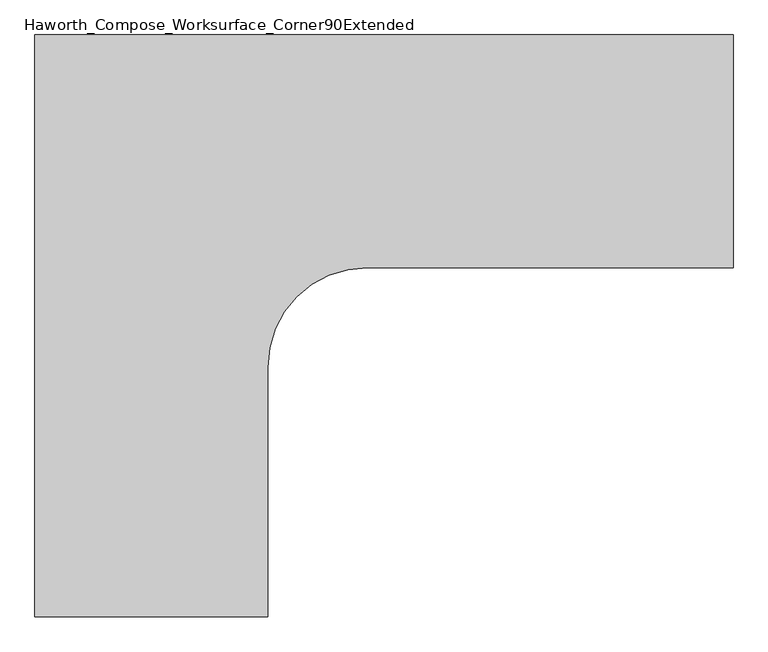
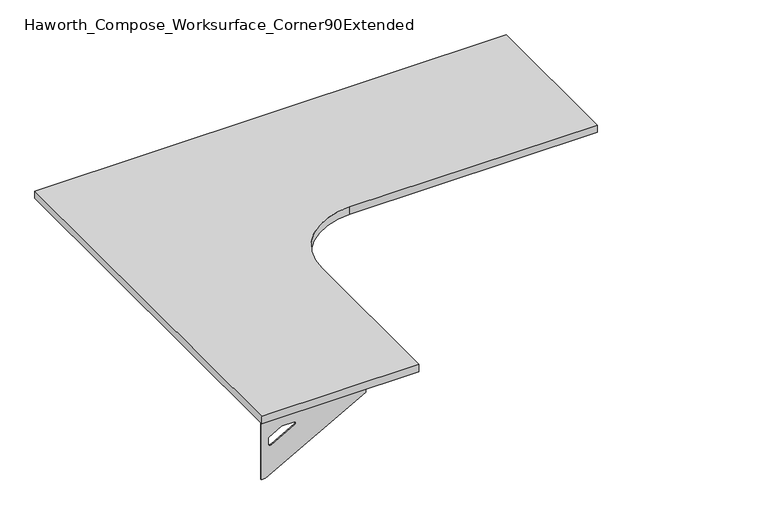
"""IFC4 building model written with IfcOpenShell, lengths in millimetres: furniture geometry, Haworth_Compose_Worksurface_Corner90Extended."""

import ifcopenshell
import ifcopenshell.guid

model = None  # the IFC model being written
_history = None  # IfcOwnerHistory: only IFC2X3 demands one
_inside = {}  # id of a spatial element -> (the spatial element, [elements in it])
_under = {}  # id of a project, library or spatial element -> (it, [spatial elements below it])
_declared = {}  # id of a project -> (the project, [libraries it declares])
_typed = {}  # id of a type object -> (the type object, [elements of that type])
_made_of = {}  # id of a material, layer set ... -> (it, [elements and type objects made of it])


def new_model(schema):
    """Start an empty IFC model of exactly this schema.

    Asked for "IFC4X3", IfcOpenShell would pick the latest addendum, in which some entities
    have other attributes; the version numbers below select the first issue.
    IFC2X3 requires an IfcOwnerHistory on every rooted entity: one is made here for all.
    """
    global model, _history
    if schema == "IFC4X3":
        model = ifcopenshell.file(schema_version=(4, 3, 0, 0))
    else:
        model = ifcopenshell.file(schema=schema)
    _inside.clear()
    _under.clear()
    _declared.clear()
    _typed.clear()
    _made_of.clear()
    _history = None
    if model.schema == "IFC2X3":
        org = make("IfcOrganization", Name="unknown")
        user = make(
            "IfcPersonAndOrganization",
            ThePerson=make("IfcPerson", FamilyName="unknown"),
            TheOrganization=org,
        )
        app = make(
            "IfcApplication",
            ApplicationDeveloper=org,
            Version="unknown",
            ApplicationFullName="unknown",
            ApplicationIdentifier="unknown",
        )
        _history = make(
            "IfcOwnerHistory",
            OwningUser=user,
            OwningApplication=app,
            ChangeAction="ADDED",
            CreationDate=0,
        )
    return model


def make(cls, **values):
    """One entity of the class cls with the attributes given. An attribute that is None is left unset."""
    return model.create_entity(
        cls, **{name: value for name, value in values.items() if value is not None}
    )


def rooted(cls, **values):
    """An entity with a GlobalId (a new one), such as an element, a storey or a relation."""
    return make(cls, GlobalId=ifcopenshell.guid.new(), OwnerHistory=_history, **values)


def si_unit(unit_type, name, prefix=None):
    """IfcSIUnit, for example si_unit("LENGTHUNIT", "METRE", prefix="MILLI")."""
    return make("IfcSIUnit", UnitType=unit_type, Prefix=prefix, Name=name)


def assignment(units):
    """IfcUnitAssignment: the units of a project."""
    return None if units is None else make("IfcUnitAssignment", Units=units)


def point(xyz):
    """IfcCartesianPoint."""
    return None if xyz is None else make("IfcCartesianPoint", Coordinates=xyz)


def direction(xyz):
    """IfcDirection."""
    return None if xyz is None else make("IfcDirection", DirectionRatios=xyz)


def frame(location, z_axis=None, x_axis=None):
    """IfcAxis2Placement3D, a coordinate frame: its origin and axes. An axis left out is left unset."""
    return make(
        "IfcAxis2Placement3D",
        Location=point(location),
        Axis=direction(z_axis),
        RefDirection=direction(x_axis),
    )


def frame_2d(location, x_axis=None):
    """IfcAxis2Placement2D, a coordinate frame in the plane: its origin and x axis."""
    return make(
        "IfcAxis2Placement2D", Location=point(location), RefDirection=direction(x_axis)
    )


def origin():
    """The frame at (0, 0, 0) with its axes left unset."""
    return frame((0.0, 0.0, 0.0))


def place(relative_to, where):
    """IfcLocalPlacement: puts the frame where relative to a parent placement (None: the world)."""
    return make(
        "IfcLocalPlacement", PlacementRelTo=relative_to, RelativePlacement=where
    )


def context(
    kind, dimensions, precision=None, world=None, true_north=None, identifier=None
):
    """IfcGeometricRepresentationContext, for example the 3D "Model" context."""
    return make(
        "IfcGeometricRepresentationContext",
        ContextIdentifier=identifier,
        ContextType=kind,
        CoordinateSpaceDimension=dimensions,
        Precision=precision,
        WorldCoordinateSystem=world,
        TrueNorth=true_north,
    )


def project(units=None, contexts=None):
    """IfcProject with its units and contexts."""
    return rooted(
        "IfcProject",
        Name="project",
        RepresentationContexts=contexts,
        UnitsInContext=assignment(units),
    )


def spatial(cls, under=None, at=None, **own):
    """A site, building, storey or space (cls), placed at a placement, below another one or the project."""
    s = rooted(cls, ObjectPlacement=at, **own)
    if under is not None:
        _under.setdefault(under.id(), (under, []))[1].append(s)
    return s


def polyline(points):
    """IfcPolyline through the points."""
    return make("IfcPolyline", Points=[point(p) for p in points])


def circle_curve(where, radius):
    """IfcCircle in the frame where."""
    return make("IfcCircle", Position=where, Radius=radius)


def trimmed(basis, trim1, trim2, sense, master):
    """IfcTrimmedCurve: the piece of a basis curve between two trims."""
    return make(
        "IfcTrimmedCurve",
        BasisCurve=basis,
        Trim1=trim1,
        Trim2=trim2,
        SenseAgreement=sense,
        MasterRepresentation=master,
    )


def segment(curve, same_sense, transition):
    """IfcCompositeCurveSegment."""
    return make(
        "IfcCompositeCurveSegment",
        Transition=transition,
        SameSense=same_sense,
        ParentCurve=curve,
    )


def composite_curve(segments, self_intersect=None):
    """IfcCompositeCurve: segments joined end to end."""
    return make("IfcCompositeCurve", Segments=segments, SelfIntersect=self_intersect)


def outline(outer, holes=None, kind="AREA"):
    """IfcArbitraryClosedProfileDef: a profile drawn as a closed curve; with holes, ...WithVoids."""
    if holes is None:
        return make("IfcArbitraryClosedProfileDef", ProfileType=kind, OuterCurve=outer)
    return make(
        "IfcArbitraryProfileDefWithVoids",
        ProfileType=kind,
        OuterCurve=outer,
        InnerCurves=holes,
    )


def extrude(swept, where, along, depth):
    """IfcExtrudedAreaSolid: the profile swept, set in the frame where, extruded along a direction by depth."""
    return make(
        "IfcExtrudedAreaSolid",
        SweptArea=swept,
        Position=where,
        ExtrudedDirection=direction(along),
        Depth=depth,
    )


def shape(context_of_items, identifier, shape_type, items):
    """IfcShapeRepresentation: the items that make up one representation, for example the "Body"."""
    return make(
        "IfcShapeRepresentation",
        ContextOfItems=context_of_items,
        RepresentationIdentifier=identifier,
        RepresentationType=shape_type,
        Items=items,
    )


def source(mapping_origin, context_of_items, identifier, shape_type, items):
    """IfcRepresentationMap: a shape defined once, which mapped items show again and again."""
    return make(
        "IfcRepresentationMap",
        MappingOrigin=mapping_origin,
        MappedRepresentation=shape(context_of_items, identifier, shape_type, items),
    )


def transform(
    local_origin,
    x_axis=None,
    y_axis=None,
    z_axis=None,
    scale=None,
    scale2=None,
    scale3=None,
    uniform=True,
):
    """IfcCartesianTransformationOperator3D, or its non-uniform kind. x_axis, y_axis, z_axis: its Axis1, 2, 3."""
    if uniform:
        return make(
            "IfcCartesianTransformationOperator3D",
            Axis1=direction(x_axis),
            Axis2=direction(y_axis),
            LocalOrigin=point(local_origin),
            Scale=scale,
            Axis3=direction(z_axis),
        )
    return make(
        "IfcCartesianTransformationOperator3DnonUniform",
        Axis1=direction(x_axis),
        Axis2=direction(y_axis),
        LocalOrigin=point(local_origin),
        Scale=scale,
        Axis3=direction(z_axis),
        Scale2=scale2,
        Scale3=scale3,
    )


def mapped(mapping_source, mapping_target):
    """IfcMappedItem: shows the shape of a source again, moved by a transform."""
    return make(
        "IfcMappedItem", MappingSource=mapping_source, MappingTarget=mapping_target
    )


def made_of(thing, what):
    """Note that an element or type object is made of a material, layer set ...; save() writes the relation."""
    if what is not None:
        _made_of.setdefault(what.id(), (what, []))[1].append(thing)
    return thing


def element(
    cls,
    number,
    at=None,
    inside=None,
    cuts=None,
    type_object=None,
    material=None,
    context=None,
    identifier="Body",
    shape_type=None,
    held_by="IfcProductDefinitionShape",
    body=None,
    shapes=None,
    **own,
):
    """One element of the class cls, such as IfcWall. Its Tag is "e" and its number.

    at: its placement. inside: the storey or other place that contains it. cuts: it is an
    opening in that element (IfcRelVoidsElement). A single representation is given by context,
    identifier, shape_type and body (its items); several are given by shapes. held_by: the class
    of the entity that holds the representations. save() writes the other relations.
    """
    e = rooted(cls, Tag="e%d" % number, ObjectPlacement=at, **own)
    if body is not None:
        shapes = [shape(context, identifier, shape_type, body)]
    if shapes is not None:
        e.Representation = make(held_by, Representations=shapes)
    if inside is not None:
        _inside.setdefault(inside.id(), (inside, []))[1].append(e)
    if cuts is not None:
        rooted(
            "IfcRelVoidsElement", RelatingBuildingElement=cuts, RelatedOpeningElement=e
        )
    if type_object is not None:
        _typed.setdefault(type_object.id(), (type_object, []))[1].append(e)
    return made_of(e, material)


def aggregate(whole, parts):
    """IfcRelAggregates: a whole, such as a stair, and the parts it consists of."""
    return rooted("IfcRelAggregates", RelatingObject=whole, RelatedObjects=parts)


def save(model, path):
    """Write the relations noted so far, then the file.

    IfcRelAggregates (storeys below a building ...), IfcRelContainedInSpatialStructure (elements
    in a storey), IfcRelDefinesByType, IfcRelAssociatesMaterial and IfcRelDeclares: one each for
    every whole, place, type object, material and project.
    """
    for whole, parts in _under.values():
        aggregate(whole, parts)
    for where, things in _inside.values():
        rooted(
            "IfcRelContainedInSpatialStructure",
            RelatedElements=things,
            RelatingStructure=where,
        )
    for kind, things in _typed.values():
        rooted("IfcRelDefinesByType", RelatedObjects=things, RelatingType=kind)
    for what, things in _made_of.values():
        rooted("IfcRelAssociatesMaterial", RelatedObjects=things, RelatingMaterial=what)
    for by, libraries in _declared.values():
        rooted("IfcRelDeclares", RelatingContext=by, RelatedDefinitions=libraries)
    model.write(path)


def plane_surface(at):
    """IfcPlane: the flat surface through the origin of the frame at, square to its z axis."""
    return make("IfcPlane", Position=at)


def revolved_surface(curve, axis_point, axis_direction):
    """IfcSurfaceOfRevolution: the curve turned about the line through axis_point along axis_direction."""
    return make(
        "IfcSurfaceOfRevolution",
        SweptCurve=make("IfcArbitraryOpenProfileDef", ProfileType="CURVE", Curve=curve),
        AxisPosition=make("IfcAxis1Placement", Location=point(axis_point), Axis=direction(axis_direction)),
    )


def advanced_brep(points, edges, surfaces, faces):
    """IfcAdvancedBrep: a solid bounded by faces that lie on surfaces and meet in shared edges.

    An edge is (start, end): straight between two places in points (the first is 0);
    or (start, end, curve); or (start, end, curve, False) where it runs against its curve.
    A face is (place in surfaces, loops), or (place, loops, False) where it looks against
    its surface's normal. A loop lists edges by number (the first is 1), with a minus sign
    where the edge is run from its end to its start. The first loop is the outer one.
    """
    corners = [point(p) for p in points]
    vertices = [make("IfcVertexPoint", VertexGeometry=c) for c in corners]
    made = []
    for start, end, *more in edges:
        made.append(
            make(
                "IfcEdgeCurve",
                EdgeStart=vertices[start],
                EdgeEnd=vertices[end],
                EdgeGeometry=more[0] if more else make("IfcPolyline", Points=[corners[start], corners[end]]),
                SameSense=more[1] if len(more) > 1 else True,
            )
        )
    hull = []
    for where, loops, *sense in faces:
        bounds = []
        for j, loop in enumerate(loops):
            ring = [make("IfcOrientedEdge", EdgeElement=made[abs(k) - 1], Orientation=k > 0) for k in loop]
            bounds.append(
                make(
                    "IfcFaceOuterBound" if j == 0 else "IfcFaceBound",
                    Bound=make("IfcEdgeLoop", EdgeList=ring),
                    Orientation=True,
                )
            )
        hull.append(make("IfcAdvancedFace", Bounds=bounds, FaceSurface=surfaces[where], SameSense=sense[0] if sense else True))
    return make("IfcAdvancedBrep", Outer=make("IfcClosedShell", CfsFaces=hull))


def haworth_compose_worksurface_corner90extended_2721c476(model_context):
    return source(origin(), model_context, "Body", "SolidModel", [
        advanced_brep(
        [(1061.24375, 152.4, 475.45625), (1061.24375, 136.525, 475.45625), (1061.24375, -254.0, 691.7192568), (1061.24375, -254.0, 704.05625), (1061.24375, 136.525, 704.05625), (1061.24375, 152.4, 704.05625), (1061.24375, 69.090072, 665.95625), (1061.24375, 25.4355284, 665.95625), (1061.24375, 22.7564235, 656.3705539), (1061.24375, 114.4776173, 605.5776439), (1061.24375, 123.825, 611.1756969), (1061.24375, 123.825, 634.6860246), (1061.24375, 122.0730055, 637.5242776), (1061.24375, 72.1663437, 665.1613425), (1063.625, 152.4, 475.45625), (1063.625, 152.4, 704.05625), (1063.625, 136.525, 704.05625), (1063.625, 136.525, 706.4375), (1063.625, -254.0, 706.4375), (1063.625, -254.0, 691.7192568), (1063.625, 136.525, 475.45625), (1063.625, 69.090072, 665.95625), (1063.625, 72.1663437, 665.1613425), (1063.625, 122.0730055, 637.5242776), (1063.625, 123.825, 634.6860246), (1063.625, 123.825, 611.1756969), (1063.625, 114.4776173, 605.5776439), (1063.625, 22.7564235, 656.3705539), (1063.625, 25.4355284, 665.95625), (1022.35, -254.0, 706.4375), (1022.35, -254.0, 704.05625), (1022.35, 136.525, 704.05625), (1022.35, 136.525, 706.4375)],
        [
            (0, 1),
            (1, 2),
            (2, 3),
            (3, 4),
            (4, 5),
            (5, 0),
            (6, 7),
            (7, 8, circle_curve(frame((1061.24375, 25.4355284, 660.7890106), z_axis=(1.0, 0.0, 0.0), x_axis=(0.0, -1.0, 0.0)), 5.1672394)),
            (8, 9),
            (9, 10, circle_curve(frame((1061.24375, 117.475, 611.1756969), z_axis=(1.0, 0.0, 0.0), x_axis=(0.0, -1.0, 0.0)), 6.35)),
            (10, 11),
            (11, 12, circle_curve(frame((1061.24375, 120.65, 634.6860246), z_axis=(1.0, 0.0, 0.0), x_axis=(0.0, -1.0, 0.0)), 3.175)),
            (12, 13),
            (13, 6, circle_curve(frame((1061.24375, 69.090072, 659.60625), z_axis=(1.0, 0.0, 0.0), x_axis=(0.0, -1.0, 0.0)), 6.35)),
            (14, 15),
            (15, 16),
            (16, 17),
            (17, 18),
            (18, 19),
            (19, 20),
            (20, 14),
            (21, 22, circle_curve(frame((1063.625, 69.090072, 659.60625), z_axis=(-1.0, 0.0, 0.0), x_axis=(0.0, -1.0, 0.0)), 6.35)),
            (22, 23),
            (23, 24, circle_curve(frame((1063.625, 120.65, 634.6860246), z_axis=(-1.0, 0.0, 0.0), x_axis=(0.0, -1.0, 0.0)), 3.175)),
            (24, 25),
            (25, 26, circle_curve(frame((1063.625, 117.475, 611.1756969), z_axis=(-1.0, 0.0, 0.0), x_axis=(0.0, -1.0, 0.0)), 6.35)),
            (26, 27),
            (27, 28, circle_curve(frame((1063.625, 25.4355284, 660.7890106), z_axis=(-1.0, 0.0, 0.0), x_axis=(0.0, -1.0, 0.0)), 5.1672394)),
            (28, 21),
            (4, 16),
            (15, 5),
            (14, 0),
            (20, 1),
            (19, 2),
            (18, 29),
            (29, 30),
            (30, 3),
            (6, 21),
            (28, 7),
            (9, 26),
            (25, 10),
            (24, 11),
            (23, 12),
            (27, 8),
            (31, 4),
            (30, 31),
            (32, 29),
            (17, 32),
            (31, 32),
            (22, 13),
        ],
        [
            plane_surface(frame((1061.24375, 152.4, 475.45625), z_axis=(-1.0, 0.0, 0.0), x_axis=(0.0, 1.0, 0.0))),
            plane_surface(frame((1063.625, 152.4, 475.45625), z_axis=(1.0, 0.0, 0.0), x_axis=(0.0, -1.0, 0.0))),
            plane_surface(frame((1063.625, -254.0, 704.05625), z_axis=(0.0, 0.0, 1.0), x_axis=(-1.0, 0.0, 0.0))),
            plane_surface(frame((1063.625, 152.4, 704.05625), z_axis=(0.0, 1.0, 0.0), x_axis=(-1.0, 0.0, 0.0))),
            plane_surface(frame((1063.625, 152.4, 475.45625), z_axis=(0.0, 0.0, -1.0), x_axis=(-1.0, 0.0, 0.0))),
            plane_surface(frame((1063.625, 136.525, 475.45625), z_axis=(0.0, -0.4844522351345575, -0.8748177135112957), x_axis=(-1.0, 0.0, 0.0))),
            plane_surface(frame((1063.625, -254.0, 691.7192568), z_axis=(0.0, -1.0, 0.0), x_axis=(-1.0, 0.0, 0.0))),
            plane_surface(frame((1063.625, 69.090072, 665.95625), z_axis=(0.0, 0.0, -1.0), x_axis=(-1.0, 0.0, 0.0))),
            revolved_surface(polyline([(1061.24375, 111.125, 611.1756969), (1063.625, 111.125, 611.1756969)]), (1063.625, 117.475, 611.1756969), (-1.0, 0.0, 0.0)),
            plane_surface(frame((1063.625, 123.825, 611.1756969), z_axis=(0.0, -1.0, 0.0), x_axis=(-1.0, 0.0, 0.0))),
            revolved_surface(polyline([(1061.24375, 117.47500000000001, 634.6860246), (1063.625, 117.47500000000001, 634.6860246)]), (1063.625, 120.65, 634.6860246), (-1.0, 0.0, 0.0)),
            revolved_surface(polyline([(1061.24375, 20.268289, 660.7890106), (1063.625, 20.268289, 660.7890106)]), (1063.625, 25.4355284, 660.7890106), (-1.0, 0.0, 0.0)),
            plane_surface(frame((1063.625, 136.525, 704.05625), z_axis=(0.0, 0.0, -1.0), x_axis=(-1.0, 0.0, 0.0))),
            plane_surface(frame((1063.625, 136.525, 706.4375), z_axis=(0.0, 0.0, 1.0), x_axis=(1.0, 0.0, 0.0))),
            plane_surface(frame((1022.35, 136.525, 706.4375), z_axis=(0.0, 1.0, 0.0), x_axis=(0.0, 0.0, -1.0))),
            plane_surface(frame((1022.35, -254.0, 706.4375), z_axis=(-1.0, 0.0, 0.0), x_axis=(0.0, 0.0, -1.0))),
            plane_surface(frame((1063.625, 22.7564235, 656.3705539), z_axis=(0.0, 0.4844522351341526, 0.8748177135115199), x_axis=(-1.0, 0.0, 0.0))),
            plane_surface(frame((1063.625, 122.0730055, 637.5242776), z_axis=(0.0, -0.48445223513456226, -0.874817713511293), x_axis=(-1.0, 0.0, 0.0))),
            revolved_surface(polyline([(1061.24375, 62.740072000000005, 659.60625), (1063.625, 62.740072000000005, 659.60625)]), (1063.625, 69.090072, 659.60625), (-1.0, 0.0, 0.0)),
        ],
        [
            (0, [[1, 2, 3, 4, 5, 6], [7, 8, 9, 10, 11, 12, 13, 14]]),
            (1, [[15, 16, 17, 18, 19, 20, 21], [22, 23, 24, 25, 26, 27, 28, 29]]),
            (2, [[-5, 30, -16, 31]]),
            (3, [[-31, -15, 32, -6]]),
            (4, [[-32, -21, 33, -1]]),
            (5, [[-33, -20, 34, -2]]),
            (6, [[-34, -19, 35, 36, 37, -3]]),
            (7, [[38, -29, 39, -7]]),
            (8, [[40, -26, 41, -10]]),
            (9, [[-41, -25, 42, -11]]),
            (10, [[-42, -24, 43, -12]]),
            (11, [[-39, -28, 44, -8]]),
            (12, [[45, -4, -37, 46]]),
            (13, [[47, -35, -18, 48]]),
            (14, [[-17, -30, -45, 49, -48]]),
            (15, [[-36, -47, -49, -46]]),
            (16, [[-44, -27, -40, -9]]),
            (17, [[-43, -23, 50, -13]]),
            (18, [[-50, -22, -38, -14]]),
        ],
    ),
        advanced_brep(
        [(-762.0, -1366.04375, 475.45625), (-762.0, -1366.04375, 704.05625), (-746.125, -1366.04375, 704.05625), (-355.6, -1366.04375, 704.05625), (-355.6, -1366.04375, 691.7192568), (-746.125, -1366.04375, 475.45625), (-678.690072, -1366.04375, 665.95625), (-681.7663437, -1366.04375, 665.1613425), (-731.6730055, -1366.04375, 637.5242776), (-733.425, -1366.04375, 634.6860246), (-733.425, -1366.04375, 611.1756969), (-724.0776173, -1366.04375, 605.5776439), (-632.3564235, -1366.04375, 656.3705539), (-635.0355284, -1366.04375, 665.95625), (-762.0, -1368.425, 475.45625), (-746.125, -1368.425, 475.45625), (-355.6, -1368.425, 691.7192568), (-355.6, -1368.425, 706.4375), (-746.125, -1368.425, 706.4375), (-746.125, -1368.425, 704.05625), (-762.0, -1368.425, 704.05625), (-678.690072, -1368.425, 665.95625), (-635.0355284, -1368.425, 665.95625), (-632.3564235, -1368.425, 656.3705539), (-724.0776173, -1368.425, 605.5776439), (-733.425, -1368.425, 611.1756969), (-733.425, -1368.425, 634.6860246), (-731.6730055, -1368.425, 637.5242776), (-681.7663437, -1368.425, 665.1613425), (-355.6, -1327.15, 704.05625), (-355.6, -1327.15, 706.4375), (-746.125, -1327.15, 704.05625), (-746.125, -1327.15, 706.4375)],
        [
            (0, 1),
            (1, 2),
            (2, 3),
            (3, 4),
            (4, 5),
            (5, 0),
            (6, 7, circle_curve(frame((-678.690072, -1366.04375, 659.60625), z_axis=(0.0, -1.0, 0.0), x_axis=(1.0, 0.0, 0.0)), 6.35)),
            (7, 8),
            (8, 9, circle_curve(frame((-730.25, -1366.04375, 634.6860246), z_axis=(0.0, -1.0, 0.0), x_axis=(1.0, 0.0, 0.0)), 3.175)),
            (9, 10),
            (10, 11, circle_curve(frame((-727.075, -1366.04375, 611.1756969), z_axis=(0.0, -1.0, 0.0), x_axis=(1.0, 0.0, 0.0)), 6.35)),
            (11, 12),
            (12, 13, circle_curve(frame((-635.0355284, -1366.04375, 660.7890106), z_axis=(0.0, -1.0, 0.0), x_axis=(1.0, 0.0, 0.0)), 5.1672394)),
            (13, 6),
            (14, 15),
            (15, 16),
            (16, 17),
            (17, 18),
            (18, 19),
            (19, 20),
            (20, 14),
            (21, 22),
            (22, 23, circle_curve(frame((-635.0355284, -1368.425, 660.7890106), z_axis=(0.0, 1.0, 0.0), x_axis=(1.0, 0.0, 0.0)), 5.1672394)),
            (23, 24),
            (24, 25, circle_curve(frame((-727.075, -1368.425, 611.1756969), z_axis=(0.0, 1.0, 0.0), x_axis=(1.0, 0.0, 0.0)), 6.35)),
            (25, 26),
            (26, 27, circle_curve(frame((-730.25, -1368.425, 634.6860246), z_axis=(0.0, 1.0, 0.0), x_axis=(1.0, 0.0, 0.0)), 3.175)),
            (27, 28),
            (28, 21, circle_curve(frame((-678.690072, -1368.425, 659.60625), z_axis=(0.0, 1.0, 0.0), x_axis=(1.0, 0.0, 0.0)), 6.35)),
            (1, 20),
            (19, 2),
            (0, 14),
            (5, 15),
            (4, 16),
            (3, 29),
            (29, 30),
            (30, 17),
            (13, 22),
            (21, 6),
            (10, 25),
            (24, 11),
            (9, 26),
            (8, 27),
            (12, 23),
            (31, 29),
            (2, 31),
            (32, 18),
            (30, 32),
            (32, 31),
            (7, 28),
        ],
        [
            plane_surface(frame((-762.0, -1366.04375, 475.45625), z_axis=(0.0, 1.0, 0.0), x_axis=(-1.0, 0.0, 0.0))),
            plane_surface(frame((-762.0, -1368.425, 475.45625), z_axis=(0.0, -1.0, 0.0), x_axis=(1.0, 0.0, 0.0))),
            plane_surface(frame((-355.6, -1368.425, 704.05625), z_axis=(0.0, 0.0, 1.0), x_axis=(0.0, 1.0, 0.0))),
            plane_surface(frame((-762.0, -1368.425, 704.05625), z_axis=(-1.0, 0.0, 0.0), x_axis=(0.0, 1.0, 0.0))),
            plane_surface(frame((-762.0, -1368.425, 475.45625), z_axis=(0.0, 0.0, -1.0), x_axis=(0.0, 1.0, 0.0))),
            plane_surface(frame((-746.125, -1368.425, 475.45625), z_axis=(0.4844522351345575, 0.0, -0.8748177135112957), x_axis=(0.0, 1.0, 0.0))),
            plane_surface(frame((-355.6, -1368.425, 691.7192568), z_axis=(1.0, 0.0, 0.0), x_axis=(0.0, 1.0, 0.0))),
            plane_surface(frame((-678.690072, -1368.425, 665.95625), z_axis=(0.0, 0.0, -1.0), x_axis=(0.0, 1.0, 0.0))),
            revolved_surface(polyline([(-720.725, -1366.04375, 611.1756969), (-720.725, -1368.425, 611.1756969)]), (-727.075, -1368.425, 611.1756969), (0.0, 1.0, 0.0)),
            plane_surface(frame((-733.425, -1368.425, 611.1756969), z_axis=(1.0, 0.0, 0.0), x_axis=(0.0, 1.0, 0.0))),
            revolved_surface(polyline([(-727.075, -1366.04375, 634.6860246), (-727.075, -1368.425, 634.6860246)]), (-730.25, -1368.425, 634.6860246), (0.0, 1.0, 0.0)),
            revolved_surface(polyline([(-629.868289, -1366.04375, 660.7890106), (-629.868289, -1368.425, 660.7890106)]), (-635.0355284, -1368.425, 660.7890106), (0.0, 1.0, 0.0)),
            plane_surface(frame((-746.125, -1368.425, 704.05625), z_axis=(0.0, 0.0, -1.0), x_axis=(0.0, 1.0, 0.0))),
            plane_surface(frame((-746.125, -1368.425, 706.4375), z_axis=(0.0, 0.0, 1.0), x_axis=(0.0, -1.0, 0.0))),
            plane_surface(frame((-746.125, -1327.15, 706.4375), z_axis=(-1.0, 0.0, 0.0), x_axis=(0.0, 0.0, -1.0))),
            plane_surface(frame((-355.6, -1327.15, 706.4375), z_axis=(0.0, 1.0, 0.0), x_axis=(0.0, 0.0, -1.0))),
            plane_surface(frame((-632.3564235, -1368.425, 656.3705539), z_axis=(-0.4844522351341526, 0.0, 0.8748177135115199), x_axis=(0.0, 1.0, 0.0))),
            plane_surface(frame((-731.6730055, -1368.425, 637.5242776), z_axis=(0.48445223513456226, 0.0, -0.874817713511293), x_axis=(0.0, 1.0, 0.0))),
            revolved_surface(polyline([(-672.340072, -1366.04375, 659.60625), (-672.340072, -1368.425, 659.60625)]), (-678.690072, -1368.425, 659.60625), (0.0, 1.0, 0.0)),
        ],
        [
            (0, [[1, 2, 3, 4, 5, 6], [7, 8, 9, 10, 11, 12, 13, 14]]),
            (1, [[15, 16, 17, 18, 19, 20, 21], [22, 23, 24, 25, 26, 27, 28, 29]]),
            (2, [[30, -20, 31, -2]]),
            (3, [[-1, 32, -21, -30]]),
            (4, [[-6, 33, -15, -32]]),
            (5, [[-5, 34, -16, -33]]),
            (6, [[-4, 35, 36, 37, -17, -34]]),
            (7, [[-14, 38, -22, 39]]),
            (8, [[-11, 40, -25, 41]]),
            (9, [[-10, 42, -26, -40]]),
            (10, [[-9, 43, -27, -42]]),
            (11, [[-13, 44, -23, -38]]),
            (12, [[45, -35, -3, 46]]),
            (13, [[47, -18, -37, 48]]),
            (14, [[-47, 49, -46, -31, -19]]),
            (15, [[-45, -49, -48, -36]]),
            (16, [[-12, -41, -24, -44]]),
            (17, [[-8, 50, -28, -43]]),
            (18, [[-7, -39, -29, -50]]),
        ],
    ),
        extrude(outline(composite_curve([segment(polyline([(-762.0, 152.4), (1066.8, 152.4), (1066.8, -457.2), (107.95, -457.2)]), True, "CONTINUOUS"), segment(trimmed(circle_curve(frame_2d((107.95, -717.55)), 260.35), [point((107.95, -457.2))], [point((-152.4, -717.55))], True, "CARTESIAN"), True, "CONTINUOUS"), segment(polyline([(-152.4, -717.55), (-152.4, -1371.6), (-762.0, -1371.6), (-762.0, 152.4)]), True, "CONTINUOUS")], self_intersect=False)), frame((0.0, 0.0, 706.4375), z_axis=(0.0, 0.0, 1.0), x_axis=(1.0, 0.0, 0.0)), (0.0, 0.0, 1.0), 30.1625),
    ])


if __name__ == "__main__":
    model = new_model("IFC4")
    model_context = context("Model", 3, world=origin())
    ifc_project = project(units=[si_unit("LENGTHUNIT", "METRE", prefix="MILLI")], contexts=[model_context])
    site = spatial("IfcSite", under=ifc_project)
    building = spatial("IfcBuilding", under=site)
    placement = place(None, origin())
    haworth_compose_worksurface_corner90extended_shape = haworth_compose_worksurface_corner90extended_2721c476(model_context)
    element("IfcFurniture", 1, ObjectType="Haworth_Compose_Worksurface_Corner90Extended", at=placement, inside=building, context=model_context, shape_type="MappedRepresentation", body=[
        mapped(haworth_compose_worksurface_corner90extended_shape, transform((0.0, 0.0, 0.0), x_axis=(1.0, 0.0, 0.0), y_axis=(0.0, 1.0, 0.0), z_axis=(0.0, 0.0, 1.0))),
    ])
    save(model, "model.ifc")
